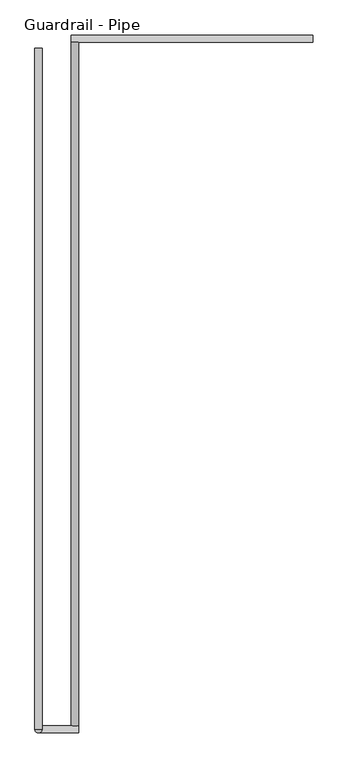
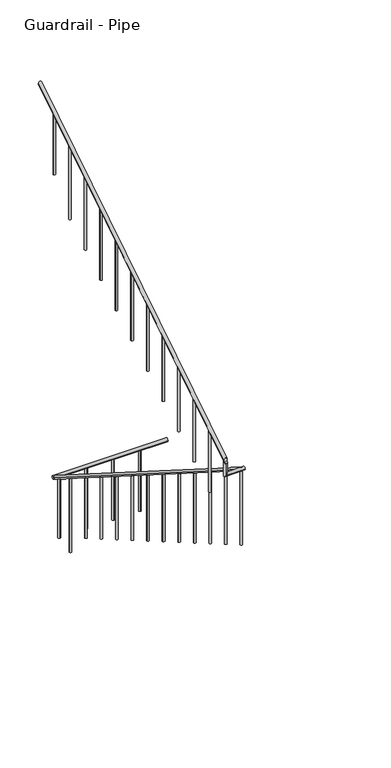
"""IFC4 building model written with IfcOpenShell, lengths in millimetres: railing geometry, Guardrail - Pipe."""

from ifc_helpers import new_model, si_unit, point, frame, frame_2d, origin, place, context, project, spatial, circle_curve, ellipse_curve, trimmed, segment, composite_curve, outline, extrude, source, transform, mapped, element, save
from ifc_brep_helpers import plane_surface, cylinder_surface, advanced_brep


def guardrail_pipe_79b2f338(model_context):
    return source(origin(), model_context, "Body", "SolidModel", [
        advanced_brep(
        [(583045.6754676, -251251.2580223, 896.2158407), (583007.5754676, -251251.2580223, 896.2158407), (583045.6754676, -254896.1580223, 3203.4252683), (583007.5754676, -254896.1580223, 3203.4252683)],
        [
            (0, 1, ellipse_curve(frame((583026.6254676, -251251.2580223, 896.2158407), z_axis=(0.0, 1.0, 0.0), x_axis=(0.0, 0.0, -1.0)), 22.5457755, 19.05)),
            (1, 0, ellipse_curve(frame((583026.6254676, -251251.2580223, 896.2158407), z_axis=(0.0, 1.0, 0.0), x_axis=(0.0, 0.0, -1.0)), 22.5457755, 19.05)),
            (2, 3, ellipse_curve(frame((583026.6254676, -254896.1580223, 3203.4252683), z_axis=(0.0, -1.0, 0.0), x_axis=(0.0, 0.0, -1.0)), 22.5457755, 19.05)),
            (3, 2, ellipse_curve(frame((583026.6254676, -254896.1580223, 3203.4252683), z_axis=(0.0, -1.0, 0.0), x_axis=(0.0, 0.0, -1.0)), 22.5457755, 19.05)),
            (1, 3),
            (2, 0),
        ],
        [
            plane_surface(frame((583026.6254676, -251251.2580223, 918.7616162), z_axis=(0.0, 1.0, 0.0), x_axis=(0.0, 0.0, -1.0))),
            plane_surface(frame((583026.6254676, -254896.1580223, 3225.9710438), z_axis=(0.0, -1.0, 0.0), x_axis=(0.0, 0.0, -1.0))),
            cylinder_surface(frame((583026.6254676, -251261.4468961, 902.6653635), z_axis=(0.0, 0.8449476488296452, -0.5348490167675869), x_axis=(-1.0, 0.0, 0.0)), 19.05),
        ],
        [
            (0, [[1, 2]]),
            (1, [[3, 4]]),
            (2, [[-2, 5, -3, 6]]),
            (2, [[-1, -6, -4, -5]]),
        ],
    ),
        advanced_brep(
        [(583045.6754676, -254934.2580223, 3218.9796296), (583045.6754676, -254896.1580223, 3218.9796296), (582832.105137, -254896.1580223, 3218.9796296), (582832.105137, -254934.2580223, 3218.9796296), (582832.105137, -254934.2580223, 3357.738752), (582832.105137, -254896.1580223, 3381.8559237)],
        [
            (0, 1, circle_curve(frame((583045.6754676, -254915.2080223, 3218.9796296), z_axis=(1.0, 0.0, 0.0), x_axis=(0.0, 1.0, 0.0)), 19.05)),
            (1, 0, circle_curve(frame((583045.6754676, -254915.2080223, 3218.9796296), z_axis=(1.0, 0.0, 0.0), x_axis=(0.0, 1.0, 0.0)), 19.05)),
            (1, 2),
            (2, 3, ellipse_curve(frame((582832.105137, -254915.2080223, 3218.9796296), z_axis=(0.7071067811865475, 0.0, -0.7071067811865475), x_axis=(0.7071067811865476, 0.0, 0.7071067811865474)), 26.9407684, 19.05)),
            (3, 0),
            (3, 2, ellipse_curve(frame((582832.105137, -254915.2080223, 3218.9796296), z_axis=(0.7071067811865475, 0.0, -0.7071067811865475), x_axis=(0.7071067811865476, 0.0, 0.7071067811865474)), 26.9407684, 19.05)),
            (4, 5, ellipse_curve(frame((582832.105137, -254915.2080223, 3369.7973379), z_axis=(0.0, -0.5348490167675869, 0.8449476488296452), x_axis=(0.0, -0.8449476488296452, -0.5348490167675869)), 22.5457755, 19.05)),
            (5, 4, ellipse_curve(frame((582832.105137, -254915.2080223, 3369.7973379), z_axis=(0.0, -0.5348490167675869, 0.8449476488296452), x_axis=(0.0, -0.8449476488296452, -0.5348490167675869)), 22.5457755, 19.05)),
            (2, 5),
            (4, 3),
        ],
        [
            plane_surface(frame((583045.6754676, -254915.2080223, 3238.0296296), z_axis=(1.0, 0.0, 0.0), x_axis=(0.0, -1.0, 0.0))),
            cylinder_surface(frame((583045.6754676, -254915.2080223, 3218.9796296), z_axis=(1.0, 0.0, 0.0), x_axis=(0.0, 1.0, 0.0)), 19.05),
            plane_surface(frame((582851.155137, -254915.2080223, 3369.7973379), z_axis=(0.0, -0.5348490167675869, 0.8449476488296452), x_axis=(1.0, 0.0, 0.0))),
            cylinder_surface(frame((582832.105137, -254915.2080223, 3238.0296296), z_axis=(0.0, 0.0, -1.0), x_axis=(0.0, 1.0, 0.0)), 19.05),
        ],
        [
            (0, [[1, 2]]),
            (1, [[-2, 3, 4, 5]]),
            (1, [[-1, -5, 6, -3]]),
            (2, [[7, 8]]),
            (3, [[-4, 9, -7, 10]]),
            (3, [[-6, -10, -8, -9]]),
        ],
    ),
        advanced_brep(
        [(582813.055137, -254915.2080223, 3392.3431134), (582851.155137, -254915.2080223, 3392.3431134), (582813.055137, -251283.0080223, 5691.5134838), (582851.155137, -251283.0080223, 5691.5134838)],
        [
            (0, 1, ellipse_curve(frame((582832.105137, -254915.2080223, 3392.3431134), z_axis=(0.0, -1.0, 0.0), x_axis=(0.0, 0.0, -1.0)), 22.5457755, 19.05)),
            (1, 0, ellipse_curve(frame((582832.105137, -254915.2080223, 3392.3431134), z_axis=(0.0, -1.0, 0.0), x_axis=(0.0, 0.0, -1.0)), 22.5457755, 19.05)),
            (2, 3, ellipse_curve(frame((582832.105137, -251283.0080223, 5691.5134838), z_axis=(0.0, 1.0, 0.0), x_axis=(0.0, 0.0, -1.0)), 22.5457755, 19.05)),
            (3, 2, ellipse_curve(frame((582832.105137, -251283.0080223, 5691.5134838), z_axis=(0.0, 1.0, 0.0), x_axis=(0.0, 0.0, -1.0)), 22.5457755, 19.05)),
            (1, 3),
            (2, 0),
        ],
        [
            plane_surface(frame((582832.105137, -254915.2080223, 3414.8888889), z_axis=(0.0, -1.0, 0.0), x_axis=(0.0, 0.0, 1.0))),
            plane_surface(frame((582832.105137, -251283.0080223, 5714.0592593), z_axis=(0.0, 1.0, 0.0), x_axis=(0.0, 0.0, 1.0))),
            cylinder_surface(frame((582832.105137, -254905.0191486, 3398.7926362), z_axis=(0.0, -0.8449476488296452, -0.5348490167675869), x_axis=(1.0, 0.0, 0.0)), 19.05),
        ],
        [
            (0, [[1, 2]]),
            (1, [[3, 4]]),
            (2, [[-2, 5, -3, 6]]),
            (2, [[-1, -6, -4, -5]]),
        ],
    ),
        advanced_brep(
        [(584296.6254676, -251251.2580223, 887.6530303), (584296.6254676, -251213.1580223, 887.6530303), (583007.5754676, -251251.2580223, 887.6530303), (583007.5754676, -251213.1580223, 887.6530303)],
        [
            (0, 1, circle_curve(frame((584296.6254676, -251232.2080223, 887.6530303), z_axis=(1.0, 0.0, 0.0), x_axis=(0.0, 1.0, 0.0)), 19.05)),
            (1, 0, circle_curve(frame((584296.6254676, -251232.2080223, 887.6530303), z_axis=(1.0, 0.0, 0.0), x_axis=(0.0, 1.0, 0.0)), 19.05)),
            (2, 3, circle_curve(frame((583007.5754676, -251232.2080223, 887.6530303), z_axis=(-1.0, 0.0, 0.0), x_axis=(0.0, 1.0, 0.0)), 19.05)),
            (3, 2, circle_curve(frame((583007.5754676, -251232.2080223, 887.6530303), z_axis=(-1.0, 0.0, 0.0), x_axis=(0.0, 1.0, 0.0)), 19.05)),
            (1, 3),
            (2, 0),
        ],
        [
            plane_surface(frame((584296.6254676, -251232.2080223, 906.7030303), z_axis=(1.0, 0.0, 0.0), x_axis=(0.0, -1.0, 0.0))),
            plane_surface(frame((583007.5754676, -251232.2080223, 906.7030303), z_axis=(-1.0, 0.0, 0.0), x_axis=(0.0, -1.0, 0.0))),
            cylinder_surface(frame((584296.6254676, -251232.2080223, 887.6530303), z_axis=(1.0, 0.0, 0.0), x_axis=(0.0, 1.0, 0.0)), 19.05),
        ],
        [
            (0, [[1, 2]]),
            (1, [[3, 4]]),
            (2, [[-2, 5, -3, 6]]),
            (2, [[-1, -6, -4, -5]]),
        ],
    ),
        advanced_brep(
        [(582844.805137, -251562.4080223, 5492.108449), (582844.805137, -251562.4080223, 4775.2), (582819.405137, -251562.4080223, 4775.2), (582819.405137, -251562.4080223, 5492.108449)],
        [
            (0, 1),
            (1, 2, circle_curve(frame((582832.105137, -251562.4080223, 4775.2), z_axis=(0.0, 0.0, 1.0), x_axis=(-1.0, 0.0, 0.0)), 12.7)),
            (2, 3),
            (3, 0, ellipse_curve(frame((582832.105137, -251562.4080223, 5492.108449), z_axis=(0.0, 0.534849016767586, -0.8449476488296459), x_axis=(0.0, 0.8449476488296459, 0.5348490167675857)), 15.030517, 12.7)),
            (0, 3, ellipse_curve(frame((582832.105137, -251562.4080223, 5492.108449), z_axis=(0.0, 0.534849016767586, -0.8449476488296459), x_axis=(0.0, 0.8449476488296459, 0.5348490167675857)), 15.030517, 12.7)),
            (2, 1, circle_curve(frame((582832.105137, -251562.4080223, 4775.2), z_axis=(0.0, 0.0, 1.0), x_axis=(-1.0, 0.0, 0.0)), 12.7)),
        ],
        [
            cylinder_surface(frame((582832.105137, -251562.4080223, 4546.6), z_axis=(0.0, 0.0, 1.0), x_axis=(-1.0, 0.0, 0.0)), 12.7),
            plane_surface(frame((582806.705137, -251537.0080223, 5508.1865635), z_axis=(0.0, -0.534849016767586, 0.8449476488296459), x_axis=(1.0, 0.0, 0.0))),
            plane_surface(frame((582806.705137, -251587.8080223, 4775.2), z_axis=(0.0, 0.0, -1.0), x_axis=(1.0, 0.0, 0.0))),
        ],
        [
            (0, [[1, 2, 3, 4]]),
            (0, [[-1, 5, -3, 6]]),
            (1, [[-4, -5]]),
            (2, [[-2, -6]]),
        ],
    ),
        advanced_brep(
        [(582844.805137, -251867.2080223, 5299.1710753), (582844.805137, -251867.2080223, 4421.4814815), (582819.405137, -251867.2080223, 4421.4814815), (582819.405137, -251867.2080223, 5299.1710753)],
        [
            (0, 1),
            (1, 2, circle_curve(frame((582832.105137, -251867.2080223, 4421.4814815), z_axis=(0.0, 0.0, 1.0), x_axis=(-1.0, 0.0, 0.0)), 12.7)),
            (2, 3),
            (3, 0, ellipse_curve(frame((582832.105137, -251867.2080223, 5299.1710753), z_axis=(0.0, 0.5348490167675843, -0.8449476488296469), x_axis=(0.0, 0.8449476488296469, 0.5348490167675843)), 15.030517, 12.7)),
            (0, 3, ellipse_curve(frame((582832.105137, -251867.2080223, 5299.1710753), z_axis=(0.0, 0.5348490167675843, -0.8449476488296469), x_axis=(0.0, 0.8449476488296469, 0.5348490167675843)), 15.030517, 12.7)),
            (2, 1, circle_curve(frame((582832.105137, -251867.2080223, 4421.4814815), z_axis=(0.0, 0.0, 1.0), x_axis=(-1.0, 0.0, 0.0)), 12.7)),
        ],
        [
            cylinder_surface(frame((582832.105137, -251867.2080223, 4192.8814815), z_axis=(0.0, 0.0, 1.0), x_axis=(-1.0, 0.0, 0.0)), 12.7),
            plane_surface(frame((582806.705137, -251841.8080223, 5315.2491897), z_axis=(0.0, -0.5348490167675843, 0.8449476488296469), x_axis=(1.0, 0.0, 0.0))),
            plane_surface(frame((582806.705137, -251892.6080223, 4421.4814815), z_axis=(0.0, 0.0, -1.0), x_axis=(1.0, 0.0, 0.0))),
        ],
        [
            (0, [[1, 2, 3, 4]]),
            (0, [[-1, 5, -3, 6]]),
            (1, [[-4, -5]]),
            (2, [[-2, -6]]),
        ],
    ),
        advanced_brep(
        [(582844.805137, -252172.0080223, 5106.2337015), (582844.805137, -252172.0080223, 4244.6222222), (582819.405137, -252172.0080223, 4244.6222222), (582819.405137, -252172.0080223, 5106.2337015)],
        [
            (0, 1),
            (1, 2, circle_curve(frame((582832.105137, -252172.0080223, 4244.6222222), z_axis=(0.0, 0.0, 1.0), x_axis=(-1.0, 0.0, 0.0)), 12.7)),
            (2, 3),
            (3, 0, ellipse_curve(frame((582832.105137, -252172.0080223, 5106.2337015), z_axis=(0.0, 0.534849016767586, -0.8449476488296459), x_axis=(0.0, 0.8449476488296459, 0.5348490167675857)), 15.030517, 12.7)),
            (0, 3, ellipse_curve(frame((582832.105137, -252172.0080223, 5106.2337015), z_axis=(0.0, 0.534849016767586, -0.8449476488296459), x_axis=(0.0, 0.8449476488296459, 0.5348490167675857)), 15.030517, 12.7)),
            (2, 1, circle_curve(frame((582832.105137, -252172.0080223, 4244.6222222), z_axis=(0.0, 0.0, 1.0), x_axis=(-1.0, 0.0, 0.0)), 12.7)),
        ],
        [
            cylinder_surface(frame((582832.105137, -252172.0080223, 4016.0222222), z_axis=(0.0, 0.0, 1.0), x_axis=(-1.0, 0.0, 0.0)), 12.7),
            plane_surface(frame((582806.705137, -252146.6080223, 5122.311816), z_axis=(0.0, -0.534849016767586, 0.8449476488296459), x_axis=(1.0, 0.0, 0.0))),
            plane_surface(frame((582806.705137, -252197.4080223, 4244.6222222), z_axis=(0.0, 0.0, -1.0), x_axis=(1.0, 0.0, 0.0))),
        ],
        [
            (0, [[1, 2, 3, 4]]),
            (0, [[-1, 5, -3, 6]]),
            (1, [[-4, -5]]),
            (2, [[-2, -6]]),
        ],
    ),
        advanced_brep(
        [(582844.805137, -252476.8080223, 4913.2963278), (582844.805137, -252476.8080223, 4067.762963), (582819.405137, -252476.8080223, 4067.762963), (582819.405137, -252476.8080223, 4913.2963278)],
        [
            (0, 1),
            (1, 2, circle_curve(frame((582832.105137, -252476.8080223, 4067.762963), z_axis=(0.0, 0.0, 1.0), x_axis=(-1.0, 0.0, 0.0)), 12.7)),
            (2, 3),
            (3, 0, ellipse_curve(frame((582832.105137, -252476.8080223, 4913.2963278), z_axis=(0.0, 0.534849016767586, -0.8449476488296459), x_axis=(0.0, 0.8449476488296459, 0.5348490167675857)), 15.030517, 12.7)),
            (0, 3, ellipse_curve(frame((582832.105137, -252476.8080223, 4913.2963278), z_axis=(0.0, 0.534849016767586, -0.8449476488296459), x_axis=(0.0, 0.8449476488296459, 0.5348490167675857)), 15.030517, 12.7)),
            (2, 1, circle_curve(frame((582832.105137, -252476.8080223, 4067.762963), z_axis=(0.0, 0.0, 1.0), x_axis=(-1.0, 0.0, 0.0)), 12.7)),
        ],
        [
            cylinder_surface(frame((582832.105137, -252476.8080223, 3839.162963), z_axis=(0.0, 0.0, 1.0), x_axis=(-1.0, 0.0, 0.0)), 12.7),
            plane_surface(frame((582806.705137, -252451.4080223, 4929.3744423), z_axis=(0.0, -0.534849016767586, 0.8449476488296459), x_axis=(1.0, 0.0, 0.0))),
            plane_surface(frame((582806.705137, -252502.2080223, 4067.762963), z_axis=(0.0, 0.0, -1.0), x_axis=(1.0, 0.0, 0.0))),
        ],
        [
            (0, [[1, 2, 3, 4]]),
            (0, [[-1, 5, -3, 6]]),
            (1, [[-4, -5]]),
            (2, [[-2, -6]]),
        ],
    ),
        advanced_brep(
        [(582844.805137, -252781.6080223, 4720.358954), (582844.805137, -252781.6080223, 3890.9037037), (582819.405137, -252781.6080223, 3890.9037037), (582819.405137, -252781.6080223, 4720.358954)],
        [
            (0, 1),
            (1, 2, circle_curve(frame((582832.105137, -252781.6080223, 3890.9037037), z_axis=(0.0, 0.0, 1.0), x_axis=(-1.0, 0.0, 0.0)), 12.7)),
            (2, 3),
            (3, 0, ellipse_curve(frame((582832.105137, -252781.6080223, 4720.358954), z_axis=(0.0, 0.5348490167675843, -0.8449476488296469), x_axis=(0.0, 0.8449476488296469, 0.5348490167675843)), 15.030517, 12.7)),
            (0, 3, ellipse_curve(frame((582832.105137, -252781.6080223, 4720.358954), z_axis=(0.0, 0.5348490167675843, -0.8449476488296469), x_axis=(0.0, 0.8449476488296469, 0.5348490167675843)), 15.030517, 12.7)),
            (2, 1, circle_curve(frame((582832.105137, -252781.6080223, 3890.9037037), z_axis=(0.0, 0.0, 1.0), x_axis=(-1.0, 0.0, 0.0)), 12.7)),
        ],
        [
            cylinder_surface(frame((582832.105137, -252781.6080223, 3662.3037037), z_axis=(0.0, 0.0, 1.0), x_axis=(-1.0, 0.0, 0.0)), 12.7),
            plane_surface(frame((582806.705137, -252756.2080223, 4736.4370685), z_axis=(0.0, -0.5348490167675843, 0.8449476488296469), x_axis=(1.0, 0.0, 0.0))),
            plane_surface(frame((582806.705137, -252807.0080223, 3890.9037037), z_axis=(0.0, 0.0, -1.0), x_axis=(1.0, 0.0, 0.0))),
        ],
        [
            (0, [[1, 2, 3, 4]]),
            (0, [[-1, 5, -3, 6]]),
            (1, [[-4, -5]]),
            (2, [[-2, -6]]),
        ],
    ),
        advanced_brep(
        [(582844.805137, -253086.4080223, 4527.4215803), (582844.805137, -253086.4080223, 3714.0444444), (582819.405137, -253086.4080223, 3714.0444444), (582819.405137, -253086.4080223, 4527.4215803)],
        [
            (0, 1),
            (1, 2, circle_curve(frame((582832.105137, -253086.4080223, 3714.0444444), z_axis=(0.0, 0.0, 1.0), x_axis=(-1.0, 0.0, 0.0)), 12.7)),
            (2, 3),
            (3, 0, ellipse_curve(frame((582832.105137, -253086.4080223, 4527.4215803), z_axis=(0.0, 0.5348490167675828, -0.844947648829648), x_axis=(0.0, 0.8449476488296481, 0.5348490167675825)), 15.030517, 12.7)),
            (0, 3, ellipse_curve(frame((582832.105137, -253086.4080223, 4527.4215803), z_axis=(0.0, 0.5348490167675828, -0.844947648829648), x_axis=(0.0, 0.8449476488296481, 0.5348490167675825)), 15.030517, 12.7)),
            (2, 1, circle_curve(frame((582832.105137, -253086.4080223, 3714.0444444), z_axis=(0.0, 0.0, 1.0), x_axis=(-1.0, 0.0, 0.0)), 12.7)),
        ],
        [
            cylinder_surface(frame((582832.105137, -253086.4080223, 3485.4444444), z_axis=(0.0, 0.0, 1.0), x_axis=(-1.0, 0.0, 0.0)), 12.7),
            plane_surface(frame((582806.705137, -253061.0080223, 4543.4996948), z_axis=(0.0, -0.5348490167675828, 0.844947648829648), x_axis=(1.0, 0.0, 0.0))),
            plane_surface(frame((582806.705137, -253111.8080223, 3714.0444444), z_axis=(0.0, 0.0, -1.0), x_axis=(1.0, 0.0, 0.0))),
        ],
        [
            (0, [[1, 2, 3, 4]]),
            (0, [[-1, 5, -3, 6]]),
            (1, [[-4, -5]]),
            (2, [[-2, -6]]),
        ],
    ),
        advanced_brep(
        [(582844.805137, -253391.2080223, 4334.4842066), (582844.805137, -253391.2080223, 3537.1851852), (582819.405137, -253391.2080223, 3537.1851852), (582819.405137, -253391.2080223, 4334.4842066)],
        [
            (0, 1),
            (1, 2, circle_curve(frame((582832.105137, -253391.2080223, 3537.1851852), z_axis=(0.0, 0.0, 1.0), x_axis=(-1.0, 0.0, 0.0)), 12.7)),
            (2, 3),
            (3, 0, ellipse_curve(frame((582832.105137, -253391.2080223, 4334.4842066), z_axis=(0.0, 0.5348490167675843, -0.8449476488296469), x_axis=(0.0, 0.8449476488296469, 0.5348490167675843)), 15.030517, 12.7)),
            (0, 3, ellipse_curve(frame((582832.105137, -253391.2080223, 4334.4842066), z_axis=(0.0, 0.5348490167675843, -0.8449476488296469), x_axis=(0.0, 0.8449476488296469, 0.5348490167675843)), 15.030517, 12.7)),
            (2, 1, circle_curve(frame((582832.105137, -253391.2080223, 3537.1851852), z_axis=(0.0, 0.0, 1.0), x_axis=(-1.0, 0.0, 0.0)), 12.7)),
        ],
        [
            cylinder_surface(frame((582832.105137, -253391.2080223, 3308.5851852), z_axis=(0.0, 0.0, 1.0), x_axis=(-1.0, 0.0, 0.0)), 12.7),
            plane_surface(frame((582806.705137, -253365.8080223, 4350.5623211), z_axis=(0.0, -0.5348490167675843, 0.8449476488296469), x_axis=(1.0, 0.0, 0.0))),
            plane_surface(frame((582806.705137, -253416.6080223, 3537.1851852), z_axis=(0.0, 0.0, -1.0), x_axis=(1.0, 0.0, 0.0))),
        ],
        [
            (0, [[1, 2, 3, 4]]),
            (0, [[-1, 5, -3, 6]]),
            (1, [[-4, -5]]),
            (2, [[-2, -6]]),
        ],
    ),
        advanced_brep(
        [(582844.805137, -253696.0080223, 4141.5468328), (582844.805137, -253696.0080223, 3360.3259259), (582819.405137, -253696.0080223, 3360.3259259), (582819.405137, -253696.0080223, 4141.5468328)],
        [
            (0, 1),
            (1, 2, circle_curve(frame((582832.105137, -253696.0080223, 3360.3259259), z_axis=(0.0, 0.0, 1.0), x_axis=(-1.0, 0.0, 0.0)), 12.7)),
            (2, 3),
            (3, 0, ellipse_curve(frame((582832.105137, -253696.0080223, 4141.5468328), z_axis=(0.0, 0.5348490167675843, -0.8449476488296469), x_axis=(0.0, 0.8449476488296469, 0.5348490167675843)), 15.030517, 12.7)),
            (0, 3, ellipse_curve(frame((582832.105137, -253696.0080223, 4141.5468328), z_axis=(0.0, 0.5348490167675843, -0.8449476488296469), x_axis=(0.0, 0.8449476488296469, 0.5348490167675843)), 15.030517, 12.7)),
            (2, 1, circle_curve(frame((582832.105137, -253696.0080223, 3360.3259259), z_axis=(0.0, 0.0, 1.0), x_axis=(-1.0, 0.0, 0.0)), 12.7)),
        ],
        [
            cylinder_surface(frame((582832.105137, -253696.0080223, 3131.7259259), z_axis=(0.0, 0.0, 1.0), x_axis=(-1.0, 0.0, 0.0)), 12.7),
            plane_surface(frame((582806.705137, -253670.6080223, 4157.6249473), z_axis=(0.0, -0.5348490167675843, 0.8449476488296469), x_axis=(1.0, 0.0, 0.0))),
            plane_surface(frame((582806.705137, -253721.4080223, 3360.3259259), z_axis=(0.0, 0.0, -1.0), x_axis=(1.0, 0.0, 0.0))),
        ],
        [
            (0, [[1, 2, 3, 4]]),
            (0, [[-1, 5, -3, 6]]),
            (1, [[-4, -5]]),
            (2, [[-2, -6]]),
        ],
    ),
        advanced_brep(
        [(582844.805137, -254000.8080223, 3948.6094591), (582844.805137, -254000.8080223, 3183.4666667), (582819.405137, -254000.8080223, 3183.4666667), (582819.405137, -254000.8080223, 3948.6094591)],
        [
            (0, 1),
            (1, 2, circle_curve(frame((582832.105137, -254000.8080223, 3183.4666667), z_axis=(0.0, 0.0, 1.0), x_axis=(-1.0, 0.0, 0.0)), 12.7)),
            (2, 3),
            (3, 0, ellipse_curve(frame((582832.105137, -254000.8080223, 3948.6094591), z_axis=(0.0, 0.5348490167675843, -0.8449476488296469), x_axis=(0.0, 0.8449476488296469, 0.5348490167675843)), 15.030517, 12.7)),
            (0, 3, ellipse_curve(frame((582832.105137, -254000.8080223, 3948.6094591), z_axis=(0.0, 0.5348490167675843, -0.8449476488296469), x_axis=(0.0, 0.8449476488296469, 0.5348490167675843)), 15.030517, 12.7)),
            (2, 1, circle_curve(frame((582832.105137, -254000.8080223, 3183.4666667), z_axis=(0.0, 0.0, 1.0), x_axis=(-1.0, 0.0, 0.0)), 12.7)),
        ],
        [
            cylinder_surface(frame((582832.105137, -254000.8080223, 2954.8666667), z_axis=(0.0, 0.0, 1.0), x_axis=(-1.0, 0.0, 0.0)), 12.7),
            plane_surface(frame((582806.705137, -253975.4080223, 3964.6875736), z_axis=(0.0, -0.5348490167675843, 0.8449476488296469), x_axis=(1.0, 0.0, 0.0))),
            plane_surface(frame((582806.705137, -254026.2080223, 3183.4666667), z_axis=(0.0, 0.0, -1.0), x_axis=(1.0, 0.0, 0.0))),
        ],
        [
            (0, [[1, 2, 3, 4]]),
            (0, [[-1, 5, -3, 6]]),
            (1, [[-4, -5]]),
            (2, [[-2, -6]]),
        ],
    ),
        advanced_brep(
        [(582844.805137, -254305.6080223, 3755.6720854), (582844.805137, -254305.6080223, 3006.6074074), (582819.405137, -254305.6080223, 3006.6074074), (582819.405137, -254305.6080223, 3755.6720854)],
        [
            (0, 1),
            (1, 2, circle_curve(frame((582832.105137, -254305.6080223, 3006.6074074), z_axis=(0.0, 0.0, 1.0), x_axis=(-1.0, 0.0, 0.0)), 12.7)),
            (2, 3),
            (3, 0, ellipse_curve(frame((582832.105137, -254305.6080223, 3755.6720854), z_axis=(0.0, 0.534849016767586, -0.8449476488296459), x_axis=(0.0, 0.8449476488296459, 0.5348490167675857)), 15.030517, 12.7)),
            (0, 3, ellipse_curve(frame((582832.105137, -254305.6080223, 3755.6720854), z_axis=(0.0, 0.534849016767586, -0.8449476488296459), x_axis=(0.0, 0.8449476488296459, 0.5348490167675857)), 15.030517, 12.7)),
            (2, 1, circle_curve(frame((582832.105137, -254305.6080223, 3006.6074074), z_axis=(0.0, 0.0, 1.0), x_axis=(-1.0, 0.0, 0.0)), 12.7)),
        ],
        [
            cylinder_surface(frame((582832.105137, -254305.6080223, 2778.0074074), z_axis=(0.0, 0.0, 1.0), x_axis=(-1.0, 0.0, 0.0)), 12.7),
            plane_surface(frame((582806.705137, -254280.2080223, 3771.7501998), z_axis=(0.0, -0.534849016767586, 0.8449476488296459), x_axis=(1.0, 0.0, 0.0))),
            plane_surface(frame((582806.705137, -254331.0080223, 3006.6074074), z_axis=(0.0, 0.0, -1.0), x_axis=(1.0, 0.0, 0.0))),
        ],
        [
            (0, [[1, 2, 3, 4]]),
            (0, [[-1, 5, -3, 6]]),
            (1, [[-4, -5]]),
            (2, [[-2, -6]]),
        ],
    ),
        advanced_brep(
        [(582844.805137, -254610.4080223, 3562.7347116), (582844.805137, -254610.4080223, 2829.7481481), (582819.405137, -254610.4080223, 2829.7481481), (582819.405137, -254610.4080223, 3562.7347116)],
        [
            (0, 1),
            (1, 2, circle_curve(frame((582832.105137, -254610.4080223, 2829.7481481), z_axis=(0.0, 0.0, 1.0), x_axis=(-1.0, 0.0, 0.0)), 12.7)),
            (2, 3),
            (3, 0, ellipse_curve(frame((582832.105137, -254610.4080223, 3562.7347116), z_axis=(0.0, 0.5348490167675828, -0.844947648829648), x_axis=(0.0, 0.8449476488296481, 0.5348490167675825)), 15.030517, 12.7)),
            (0, 3, ellipse_curve(frame((582832.105137, -254610.4080223, 3562.7347116), z_axis=(0.0, 0.5348490167675828, -0.844947648829648), x_axis=(0.0, 0.8449476488296481, 0.5348490167675825)), 15.030517, 12.7)),
            (2, 1, circle_curve(frame((582832.105137, -254610.4080223, 2829.7481481), z_axis=(0.0, 0.0, 1.0), x_axis=(-1.0, 0.0, 0.0)), 12.7)),
        ],
        [
            cylinder_surface(frame((582832.105137, -254610.4080223, 2601.1481481), z_axis=(0.0, 0.0, 1.0), x_axis=(-1.0, 0.0, 0.0)), 12.7),
            plane_surface(frame((582806.705137, -254585.0080223, 3578.8128261), z_axis=(0.0, -0.5348490167675828, 0.844947648829648), x_axis=(1.0, 0.0, 0.0))),
            plane_surface(frame((582806.705137, -254635.8080223, 2829.7481481), z_axis=(0.0, 0.0, -1.0), x_axis=(1.0, 0.0, 0.0))),
        ],
        [
            (0, [[1, 2, 3, 4]]),
            (0, [[-1, 5, -3, 6]]),
            (1, [[-4, -5]]),
            (2, [[-2, -6]]),
        ],
    ),
        advanced_brep(
        [(583013.9254676, -254889.8080223, 3176.8599642), (583013.9254676, -254889.8080223, 2299.1703704), (583039.3254676, -254889.8080223, 2299.1703704), (583039.3254676, -254889.8080223, 3176.8599642)],
        [
            (0, 1),
            (1, 2, circle_curve(frame((583026.6254676, -254889.8080223, 2299.1703704), z_axis=(0.0, 0.0, 1.0), x_axis=(1.0, 0.0, 0.0)), 12.7)),
            (2, 3),
            (3, 0, ellipse_curve(frame((583026.6254676, -254889.8080223, 3176.8599642), z_axis=(0.0, -0.5348490167675843, -0.8449476488296469), x_axis=(0.0, -0.8449476488296469, 0.5348490167675843)), 15.030517, 12.7)),
            (0, 3, ellipse_curve(frame((583026.6254676, -254889.8080223, 3176.8599642), z_axis=(0.0, -0.5348490167675843, -0.8449476488296469), x_axis=(0.0, -0.8449476488296469, 0.5348490167675843)), 15.030517, 12.7)),
            (2, 1, circle_curve(frame((583026.6254676, -254889.8080223, 2299.1703704), z_axis=(0.0, 0.0, 1.0), x_axis=(1.0, 0.0, 0.0)), 12.7)),
        ],
        [
            cylinder_surface(frame((583026.6254676, -254889.8080223, 2070.5703704), z_axis=(0.0, 0.0, 1.0), x_axis=(1.0, 0.0, 0.0)), 12.7),
            plane_surface(frame((583052.0254676, -254915.2080223, 3192.9380786), z_axis=(0.0, 0.5348490167675843, 0.8449476488296469), x_axis=(-1.0, 0.0, 0.0))),
            plane_surface(frame((583052.0254676, -254864.4080223, 2299.1703704), z_axis=(0.0, 0.0, -1.0), x_axis=(-1.0, 0.0, 0.0))),
        ],
        [
            (0, [[1, 2, 3, 4]]),
            (0, [[-1, 5, -3, 6]]),
            (1, [[-4, -5]]),
            (2, [[-2, -6]]),
        ],
    ),
        advanced_brep(
        [(583013.9254676, -254585.0080223, 2983.9225904), (583013.9254676, -254585.0080223, 2122.3111111), (583039.3254676, -254585.0080223, 2122.3111111), (583039.3254676, -254585.0080223, 2983.9225904)],
        [
            (0, 1),
            (1, 2, circle_curve(frame((583026.6254676, -254585.0080223, 2122.3111111), z_axis=(0.0, 0.0, 1.0), x_axis=(1.0, 0.0, 0.0)), 12.7)),
            (2, 3),
            (3, 0, ellipse_curve(frame((583026.6254676, -254585.0080223, 2983.9225904), z_axis=(0.0, -0.534849016767586, -0.8449476488296459), x_axis=(0.0, -0.8449476488296459, 0.5348490167675857)), 15.030517, 12.7)),
            (0, 3, ellipse_curve(frame((583026.6254676, -254585.0080223, 2983.9225904), z_axis=(0.0, -0.534849016767586, -0.8449476488296459), x_axis=(0.0, -0.8449476488296459, 0.5348490167675857)), 15.030517, 12.7)),
            (2, 1, circle_curve(frame((583026.6254676, -254585.0080223, 2122.3111111), z_axis=(0.0, 0.0, 1.0), x_axis=(1.0, 0.0, 0.0)), 12.7)),
        ],
        [
            cylinder_surface(frame((583026.6254676, -254585.0080223, 1893.7111111), z_axis=(0.0, 0.0, 1.0), x_axis=(1.0, 0.0, 0.0)), 12.7),
            plane_surface(frame((583052.0254676, -254610.4080223, 3000.0007049), z_axis=(0.0, 0.534849016767586, 0.8449476488296459), x_axis=(-1.0, 0.0, 0.0))),
            plane_surface(frame((583052.0254676, -254559.6080223, 2122.3111111), z_axis=(0.0, 0.0, -1.0), x_axis=(-1.0, 0.0, 0.0))),
        ],
        [
            (0, [[1, 2, 3, 4]]),
            (0, [[-1, 5, -3, 6]]),
            (1, [[-4, -5]]),
            (2, [[-2, -6]]),
        ],
    ),
        advanced_brep(
        [(583013.9254676, -254280.2080223, 2790.9852167), (583013.9254676, -254280.2080223, 1945.4518519), (583039.3254676, -254280.2080223, 1945.4518519), (583039.3254676, -254280.2080223, 2790.9852167)],
        [
            (0, 1),
            (1, 2, circle_curve(frame((583026.6254676, -254280.2080223, 1945.4518519), z_axis=(0.0, 0.0, 1.0), x_axis=(1.0, 0.0, 0.0)), 12.7)),
            (2, 3),
            (3, 0, ellipse_curve(frame((583026.6254676, -254280.2080223, 2790.9852167), z_axis=(0.0, -0.534849016767586, -0.8449476488296459), x_axis=(0.0, -0.8449476488296459, 0.5348490167675857)), 15.030517, 12.7)),
            (0, 3, ellipse_curve(frame((583026.6254676, -254280.2080223, 2790.9852167), z_axis=(0.0, -0.534849016767586, -0.8449476488296459), x_axis=(0.0, -0.8449476488296459, 0.5348490167675857)), 15.030517, 12.7)),
            (2, 1, circle_curve(frame((583026.6254676, -254280.2080223, 1945.4518519), z_axis=(0.0, 0.0, 1.0), x_axis=(1.0, 0.0, 0.0)), 12.7)),
        ],
        [
            cylinder_surface(frame((583026.6254676, -254280.2080223, 1716.8518519), z_axis=(0.0, 0.0, 1.0), x_axis=(1.0, 0.0, 0.0)), 12.7),
            plane_surface(frame((583052.0254676, -254305.6080223, 2807.0633312), z_axis=(0.0, 0.534849016767586, 0.8449476488296459), x_axis=(-1.0, 0.0, 0.0))),
            plane_surface(frame((583052.0254676, -254254.8080223, 1945.4518519), z_axis=(0.0, 0.0, -1.0), x_axis=(-1.0, 0.0, 0.0))),
        ],
        [
            (0, [[1, 2, 3, 4]]),
            (0, [[-1, 5, -3, 6]]),
            (1, [[-4, -5]]),
            (2, [[-2, -6]]),
        ],
    ),
        advanced_brep(
        [(583013.9254676, -253975.4080223, 2598.0478429), (583013.9254676, -253975.4080223, 1768.5925926), (583039.3254676, -253975.4080223, 1768.5925926), (583039.3254676, -253975.4080223, 2598.0478429)],
        [
            (0, 1),
            (1, 2, circle_curve(frame((583026.6254676, -253975.4080223, 1768.5925926), z_axis=(0.0, 0.0, 1.0), x_axis=(1.0, 0.0, 0.0)), 12.7)),
            (2, 3),
            (3, 0, ellipse_curve(frame((583026.6254676, -253975.4080223, 2598.0478429), z_axis=(0.0, -0.5348490167675843, -0.8449476488296469), x_axis=(0.0, -0.8449476488296469, 0.5348490167675843)), 15.030517, 12.7)),
            (0, 3, ellipse_curve(frame((583026.6254676, -253975.4080223, 2598.0478429), z_axis=(0.0, -0.5348490167675843, -0.8449476488296469), x_axis=(0.0, -0.8449476488296469, 0.5348490167675843)), 15.030517, 12.7)),
            (2, 1, circle_curve(frame((583026.6254676, -253975.4080223, 1768.5925926), z_axis=(0.0, 0.0, 1.0), x_axis=(1.0, 0.0, 0.0)), 12.7)),
        ],
        [
            cylinder_surface(frame((583026.6254676, -253975.4080223, 1539.9925926), z_axis=(0.0, 0.0, 1.0), x_axis=(1.0, 0.0, 0.0)), 12.7),
            plane_surface(frame((583052.0254676, -254000.8080223, 2614.1259574), z_axis=(0.0, 0.5348490167675843, 0.8449476488296469), x_axis=(-1.0, 0.0, 0.0))),
            plane_surface(frame((583052.0254676, -253950.0080223, 1768.5925926), z_axis=(0.0, 0.0, -1.0), x_axis=(-1.0, 0.0, 0.0))),
        ],
        [
            (0, [[1, 2, 3, 4]]),
            (0, [[-1, 5, -3, 6]]),
            (1, [[-4, -5]]),
            (2, [[-2, -6]]),
        ],
    ),
        advanced_brep(
        [(583013.9254676, -253670.6080223, 2405.1104692), (583013.9254676, -253670.6080223, 1591.7333333), (583039.3254676, -253670.6080223, 1591.7333333), (583039.3254676, -253670.6080223, 2405.1104692)],
        [
            (0, 1),
            (1, 2, circle_curve(frame((583026.6254676, -253670.6080223, 1591.7333333), z_axis=(0.0, 0.0, 1.0), x_axis=(1.0, 0.0, 0.0)), 12.7)),
            (2, 3),
            (3, 0, ellipse_curve(frame((583026.6254676, -253670.6080223, 2405.1104692), z_axis=(0.0, -0.5348490167675828, -0.844947648829648), x_axis=(0.0, -0.8449476488296481, 0.5348490167675825)), 15.030517, 12.7)),
            (0, 3, ellipse_curve(frame((583026.6254676, -253670.6080223, 2405.1104692), z_axis=(0.0, -0.5348490167675828, -0.844947648829648), x_axis=(0.0, -0.8449476488296481, 0.5348490167675825)), 15.030517, 12.7)),
            (2, 1, circle_curve(frame((583026.6254676, -253670.6080223, 1591.7333333), z_axis=(0.0, 0.0, 1.0), x_axis=(1.0, 0.0, 0.0)), 12.7)),
        ],
        [
            cylinder_surface(frame((583026.6254676, -253670.6080223, 1363.1333333), z_axis=(0.0, 0.0, 1.0), x_axis=(1.0, 0.0, 0.0)), 12.7),
            plane_surface(frame((583052.0254676, -253696.0080223, 2421.1885837), z_axis=(0.0, 0.5348490167675828, 0.844947648829648), x_axis=(-1.0, 0.0, 0.0))),
            plane_surface(frame((583052.0254676, -253645.2080223, 1591.7333333), z_axis=(0.0, 0.0, -1.0), x_axis=(-1.0, 0.0, 0.0))),
        ],
        [
            (0, [[1, 2, 3, 4]]),
            (0, [[-1, 5, -3, 6]]),
            (1, [[-4, -5]]),
            (2, [[-2, -6]]),
        ],
    ),
        advanced_brep(
        [(583013.9254676, -253365.8080223, 2212.1730955), (583013.9254676, -253365.8080223, 1414.8740741), (583039.3254676, -253365.8080223, 1414.8740741), (583039.3254676, -253365.8080223, 2212.1730955)],
        [
            (0, 1),
            (1, 2, circle_curve(frame((583026.6254676, -253365.8080223, 1414.8740741), z_axis=(0.0, 0.0, 1.0), x_axis=(1.0, 0.0, 0.0)), 12.7)),
            (2, 3),
            (3, 0, ellipse_curve(frame((583026.6254676, -253365.8080223, 2212.1730955), z_axis=(0.0, -0.5348490167675843, -0.8449476488296469), x_axis=(0.0, -0.8449476488296469, 0.5348490167675843)), 15.030517, 12.7)),
            (0, 3, ellipse_curve(frame((583026.6254676, -253365.8080223, 2212.1730955), z_axis=(0.0, -0.5348490167675843, -0.8449476488296469), x_axis=(0.0, -0.8449476488296469, 0.5348490167675843)), 15.030517, 12.7)),
            (2, 1, circle_curve(frame((583026.6254676, -253365.8080223, 1414.8740741), z_axis=(0.0, 0.0, 1.0), x_axis=(1.0, 0.0, 0.0)), 12.7)),
        ],
        [
            cylinder_surface(frame((583026.6254676, -253365.8080223, 1186.2740741), z_axis=(0.0, 0.0, 1.0), x_axis=(1.0, 0.0, 0.0)), 12.7),
            plane_surface(frame((583052.0254676, -253391.2080223, 2228.2512099), z_axis=(0.0, 0.5348490167675843, 0.8449476488296469), x_axis=(-1.0, 0.0, 0.0))),
            plane_surface(frame((583052.0254676, -253340.4080223, 1414.8740741), z_axis=(0.0, 0.0, -1.0), x_axis=(-1.0, 0.0, 0.0))),
        ],
        [
            (0, [[1, 2, 3, 4]]),
            (0, [[-1, 5, -3, 6]]),
            (1, [[-4, -5]]),
            (2, [[-2, -6]]),
        ],
    ),
        advanced_brep(
        [(583013.9254676, -253061.0080223, 2019.2357217), (583013.9254676, -253061.0080223, 1238.0148148), (583039.3254676, -253061.0080223, 1238.0148148), (583039.3254676, -253061.0080223, 2019.2357217)],
        [
            (0, 1),
            (1, 2, circle_curve(frame((583026.6254676, -253061.0080223, 1238.0148148), z_axis=(0.0, 0.0, 1.0), x_axis=(1.0, 0.0, 0.0)), 12.7)),
            (2, 3),
            (3, 0, ellipse_curve(frame((583026.6254676, -253061.0080223, 2019.2357217), z_axis=(0.0, -0.5348490167675843, -0.8449476488296469), x_axis=(0.0, -0.8449476488296469, 0.5348490167675843)), 15.030517, 12.7)),
            (0, 3, ellipse_curve(frame((583026.6254676, -253061.0080223, 2019.2357217), z_axis=(0.0, -0.5348490167675843, -0.8449476488296469), x_axis=(0.0, -0.8449476488296469, 0.5348490167675843)), 15.030517, 12.7)),
            (2, 1, circle_curve(frame((583026.6254676, -253061.0080223, 1238.0148148), z_axis=(0.0, 0.0, 1.0), x_axis=(1.0, 0.0, 0.0)), 12.7)),
        ],
        [
            cylinder_surface(frame((583026.6254676, -253061.0080223, 1009.4148148), z_axis=(0.0, 0.0, 1.0), x_axis=(1.0, 0.0, 0.0)), 12.7),
            plane_surface(frame((583052.0254676, -253086.4080223, 2035.3138362), z_axis=(0.0, 0.5348490167675843, 0.8449476488296469), x_axis=(-1.0, 0.0, 0.0))),
            plane_surface(frame((583052.0254676, -253035.6080223, 1238.0148148), z_axis=(0.0, 0.0, -1.0), x_axis=(-1.0, 0.0, 0.0))),
        ],
        [
            (0, [[1, 2, 3, 4]]),
            (0, [[-1, 5, -3, 6]]),
            (1, [[-4, -5]]),
            (2, [[-2, -6]]),
        ],
    ),
        advanced_brep(
        [(583013.9254676, -252756.2080223, 1826.298348), (583013.9254676, -252756.2080223, 1061.1555556), (583039.3254676, -252756.2080223, 1061.1555556), (583039.3254676, -252756.2080223, 1826.298348)],
        [
            (0, 1),
            (1, 2, circle_curve(frame((583026.6254676, -252756.2080223, 1061.1555556), z_axis=(0.0, 0.0, 1.0), x_axis=(1.0, 0.0, 0.0)), 12.7)),
            (2, 3),
            (3, 0, ellipse_curve(frame((583026.6254676, -252756.2080223, 1826.298348), z_axis=(0.0, -0.5348490167675843, -0.8449476488296469), x_axis=(0.0, -0.8449476488296469, 0.5348490167675843)), 15.030517, 12.7)),
            (0, 3, ellipse_curve(frame((583026.6254676, -252756.2080223, 1826.298348), z_axis=(0.0, -0.5348490167675843, -0.8449476488296469), x_axis=(0.0, -0.8449476488296469, 0.5348490167675843)), 15.030517, 12.7)),
            (2, 1, circle_curve(frame((583026.6254676, -252756.2080223, 1061.1555556), z_axis=(0.0, 0.0, 1.0), x_axis=(1.0, 0.0, 0.0)), 12.7)),
        ],
        [
            cylinder_surface(frame((583026.6254676, -252756.2080223, 832.5555556), z_axis=(0.0, 0.0, 1.0), x_axis=(1.0, 0.0, 0.0)), 12.7),
            plane_surface(frame((583052.0254676, -252781.6080223, 1842.3764625), z_axis=(0.0, 0.5348490167675843, 0.8449476488296469), x_axis=(-1.0, 0.0, 0.0))),
            plane_surface(frame((583052.0254676, -252730.8080223, 1061.1555556), z_axis=(0.0, 0.0, -1.0), x_axis=(-1.0, 0.0, 0.0))),
        ],
        [
            (0, [[1, 2, 3, 4]]),
            (0, [[-1, 5, -3, 6]]),
            (1, [[-4, -5]]),
            (2, [[-2, -6]]),
        ],
    ),
        advanced_brep(
        [(583013.9254676, -252451.4080223, 1633.3609743), (583013.9254676, -252451.4080223, 884.2962963), (583039.3254676, -252451.4080223, 884.2962963), (583039.3254676, -252451.4080223, 1633.3609743)],
        [
            (0, 1),
            (1, 2, circle_curve(frame((583026.6254676, -252451.4080223, 884.2962963), z_axis=(0.0, 0.0, 1.0), x_axis=(1.0, 0.0, 0.0)), 12.7)),
            (2, 3),
            (3, 0, ellipse_curve(frame((583026.6254676, -252451.4080223, 1633.3609743), z_axis=(0.0, -0.534849016767586, -0.8449476488296459), x_axis=(0.0, -0.8449476488296459, 0.5348490167675857)), 15.030517, 12.7)),
            (0, 3, ellipse_curve(frame((583026.6254676, -252451.4080223, 1633.3609743), z_axis=(0.0, -0.534849016767586, -0.8449476488296459), x_axis=(0.0, -0.8449476488296459, 0.5348490167675857)), 15.030517, 12.7)),
            (2, 1, circle_curve(frame((583026.6254676, -252451.4080223, 884.2962963), z_axis=(0.0, 0.0, 1.0), x_axis=(1.0, 0.0, 0.0)), 12.7)),
        ],
        [
            cylinder_surface(frame((583026.6254676, -252451.4080223, 655.6962963), z_axis=(0.0, 0.0, 1.0), x_axis=(1.0, 0.0, 0.0)), 12.7),
            plane_surface(frame((583052.0254676, -252476.8080223, 1649.4390887), z_axis=(0.0, 0.534849016767586, 0.8449476488296459), x_axis=(-1.0, 0.0, 0.0))),
            plane_surface(frame((583052.0254676, -252426.0080223, 884.2962963), z_axis=(0.0, 0.0, -1.0), x_axis=(-1.0, 0.0, 0.0))),
        ],
        [
            (0, [[1, 2, 3, 4]]),
            (0, [[-1, 5, -3, 6]]),
            (1, [[-4, -5]]),
            (2, [[-2, -6]]),
        ],
    ),
        advanced_brep(
        [(583013.9254676, -252146.6080223, 1440.4236005), (583013.9254676, -252146.6080223, 707.437037), (583039.3254676, -252146.6080223, 707.437037), (583039.3254676, -252146.6080223, 1440.4236005)],
        [
            (0, 1),
            (1, 2, circle_curve(frame((583026.6254676, -252146.6080223, 707.437037), z_axis=(0.0, 0.0, 1.0), x_axis=(1.0, 0.0, 0.0)), 12.7)),
            (2, 3),
            (3, 0, ellipse_curve(frame((583026.6254676, -252146.6080223, 1440.4236005), z_axis=(0.0, -0.5348490167675828, -0.844947648829648), x_axis=(0.0, -0.8449476488296481, 0.5348490167675825)), 15.030517, 12.7)),
            (0, 3, ellipse_curve(frame((583026.6254676, -252146.6080223, 1440.4236005), z_axis=(0.0, -0.5348490167675828, -0.844947648829648), x_axis=(0.0, -0.8449476488296481, 0.5348490167675825)), 15.030517, 12.7)),
            (2, 1, circle_curve(frame((583026.6254676, -252146.6080223, 707.437037), z_axis=(0.0, 0.0, 1.0), x_axis=(1.0, 0.0, 0.0)), 12.7)),
        ],
        [
            cylinder_surface(frame((583026.6254676, -252146.6080223, 478.837037), z_axis=(0.0, 0.0, 1.0), x_axis=(1.0, 0.0, 0.0)), 12.7),
            plane_surface(frame((583052.0254676, -252172.0080223, 1456.501715), z_axis=(0.0, 0.5348490167675828, 0.844947648829648), x_axis=(-1.0, 0.0, 0.0))),
            plane_surface(frame((583052.0254676, -252121.2080223, 707.437037), z_axis=(0.0, 0.0, -1.0), x_axis=(-1.0, 0.0, 0.0))),
        ],
        [
            (0, [[1, 2, 3, 4]]),
            (0, [[-1, 5, -3, 6]]),
            (1, [[-4, -5]]),
            (2, [[-2, -6]]),
        ],
    ),
        advanced_brep(
        [(583013.9254676, -251841.8080223, 1247.4862268), (583013.9254676, -251841.8080223, 530.5777778), (583039.3254676, -251841.8080223, 530.5777778), (583039.3254676, -251841.8080223, 1247.4862268)],
        [
            (0, 1),
            (1, 2, circle_curve(frame((583026.6254676, -251841.8080223, 530.5777778), z_axis=(0.0, 0.0, 1.0), x_axis=(1.0, 0.0, 0.0)), 12.7)),
            (2, 3),
            (3, 0, ellipse_curve(frame((583026.6254676, -251841.8080223, 1247.4862268), z_axis=(0.0, -0.534849016767586, -0.8449476488296459), x_axis=(0.0, -0.8449476488296459, 0.5348490167675857)), 15.030517, 12.7)),
            (0, 3, ellipse_curve(frame((583026.6254676, -251841.8080223, 1247.4862268), z_axis=(0.0, -0.534849016767586, -0.8449476488296459), x_axis=(0.0, -0.8449476488296459, 0.5348490167675857)), 15.030517, 12.7)),
            (2, 1, circle_curve(frame((583026.6254676, -251841.8080223, 530.5777778), z_axis=(0.0, 0.0, 1.0), x_axis=(1.0, 0.0, 0.0)), 12.7)),
        ],
        [
            cylinder_surface(frame((583026.6254676, -251841.8080223, 301.9777778), z_axis=(0.0, 0.0, 1.0), x_axis=(1.0, 0.0, 0.0)), 12.7),
            plane_surface(frame((583052.0254676, -251867.2080223, 1263.5643413), z_axis=(0.0, 0.534849016767586, 0.8449476488296459), x_axis=(-1.0, 0.0, 0.0))),
            plane_surface(frame((583052.0254676, -251816.4080223, 530.5777778), z_axis=(0.0, 0.0, -1.0), x_axis=(-1.0, 0.0, 0.0))),
        ],
        [
            (0, [[1, 2, 3, 4]]),
            (0, [[-1, 5, -3, 6]]),
            (1, [[-4, -5]]),
            (2, [[-2, -6]]),
        ],
    ),
        advanced_brep(
        [(583013.9254676, -251537.0080223, 1054.548853), (583013.9254676, -251537.0080223, 176.8592593), (583039.3254676, -251537.0080223, 176.8592593), (583039.3254676, -251537.0080223, 1054.548853)],
        [
            (0, 1),
            (1, 2, circle_curve(frame((583026.6254676, -251537.0080223, 176.8592593), z_axis=(0.0, 0.0, 1.0), x_axis=(1.0, 0.0, 0.0)), 12.7)),
            (2, 3),
            (3, 0, ellipse_curve(frame((583026.6254676, -251537.0080223, 1054.548853), z_axis=(0.0, -0.5348490167675843, -0.8449476488296469), x_axis=(0.0, -0.8449476488296469, 0.5348490167675843)), 15.030517, 12.7)),
            (0, 3, ellipse_curve(frame((583026.6254676, -251537.0080223, 1054.548853), z_axis=(0.0, -0.5348490167675843, -0.8449476488296469), x_axis=(0.0, -0.8449476488296469, 0.5348490167675843)), 15.030517, 12.7)),
            (2, 1, circle_curve(frame((583026.6254676, -251537.0080223, 176.8592593), z_axis=(0.0, 0.0, 1.0), x_axis=(1.0, 0.0, 0.0)), 12.7)),
        ],
        [
            cylinder_surface(frame((583026.6254676, -251537.0080223, -51.7407407), z_axis=(0.0, 0.0, 1.0), x_axis=(1.0, 0.0, 0.0)), 12.7),
            plane_surface(frame((583052.0254676, -251562.4080223, 1070.6269675), z_axis=(0.0, 0.5348490167675843, 0.8449476488296469), x_axis=(-1.0, 0.0, 0.0))),
            plane_surface(frame((583052.0254676, -251511.6080223, 176.8592593), z_axis=(0.0, 0.0, -1.0), x_axis=(-1.0, 0.0, 0.0))),
        ],
        [
            (0, [[1, 2, 3, 4]]),
            (0, [[-1, 5, -3, 6]]),
            (1, [[-4, -5]]),
            (2, [[-2, -6]]),
        ],
    ),
        extrude(outline(composite_curve([segment(trimmed(circle_curve(frame_2d((583077.4254676, -251232.2080223)), 12.7), [point((583077.4254676, -251244.9080223))], [point((583077.4254676, -251219.5080223))], False, "CARTESIAN"), True, "CONTINUOUS"), segment(trimmed(circle_curve(frame_2d((583077.4254676, -251232.2080223)), 12.7), [point((583077.4254676, -251219.5080223))], [point((583077.4254676, -251244.9080223))], False, "CARTESIAN"), True, "CONTINUOUS")], self_intersect=False)), frame((0.0, 0.0, 144.7030303), z_axis=(0.0, 0.0, 1.0), x_axis=(1.0, 0.0, 0.0)), (0.0, 0.0, 1.0), 723.9),
        extrude(outline(composite_curve([segment(trimmed(circle_curve(frame_2d((583382.2254676, -251232.2080223)), 12.7), [point((583382.2254676, -251244.9080223))], [point((583382.2254676, -251219.5080223))], False, "CARTESIAN"), True, "CONTINUOUS"), segment(trimmed(circle_curve(frame_2d((583382.2254676, -251232.2080223)), 12.7), [point((583382.2254676, -251219.5080223))], [point((583382.2254676, -251244.9080223))], False, "CARTESIAN"), True, "CONTINUOUS")], self_intersect=False)), frame((0.0, 0.0, 144.7030303), z_axis=(0.0, 0.0, 1.0), x_axis=(1.0, 0.0, 0.0)), (0.0, 0.0, 1.0), 723.9),
        extrude(outline(composite_curve([segment(trimmed(circle_curve(frame_2d((583687.0254676, -251232.2080223)), 12.7), [point((583687.0254676, -251244.9080223))], [point((583687.0254676, -251219.5080223))], False, "CARTESIAN"), True, "CONTINUOUS"), segment(trimmed(circle_curve(frame_2d((583687.0254676, -251232.2080223)), 12.7), [point((583687.0254676, -251219.5080223))], [point((583687.0254676, -251244.9080223))], False, "CARTESIAN"), True, "CONTINUOUS")], self_intersect=False)), frame((0.0, 0.0, 144.7030303), z_axis=(0.0, 0.0, 1.0), x_axis=(1.0, 0.0, 0.0)), (0.0, 0.0, 1.0), 723.9),
        extrude(outline(composite_curve([segment(trimmed(circle_curve(frame_2d((583991.8254676, -251232.2080223)), 12.7), [point((583991.8254676, -251244.9080223))], [point((583991.8254676, -251219.5080223))], False, "CARTESIAN"), True, "CONTINUOUS"), segment(trimmed(circle_curve(frame_2d((583991.8254676, -251232.2080223)), 12.7), [point((583991.8254676, -251219.5080223))], [point((583991.8254676, -251244.9080223))], False, "CARTESIAN"), True, "CONTINUOUS")], self_intersect=False)), frame((0.0, 0.0, 144.7030303), z_axis=(0.0, 0.0, 1.0), x_axis=(1.0, 0.0, 0.0)), (0.0, 0.0, 1.0), 723.9),
    ])


if __name__ == "__main__":
    model = new_model("IFC4")
    model_context = context("Model", 3, world=origin())
    ifc_project = project(units=[si_unit("LENGTHUNIT", "METRE", prefix="MILLI")], contexts=[model_context])
    site = spatial("IfcSite", under=ifc_project)
    building = spatial("IfcBuilding", under=site)
    placement = place(None, origin())
    guardrail_pipe_shape = guardrail_pipe_79b2f338(model_context)
    element("IfcRailing", 1, ObjectType="Guardrail - Pipe", at=placement, inside=building, context=model_context, shape_type="MappedRepresentation", body=[
        mapped(guardrail_pipe_shape, transform((0.0, 0.0, 0.0), x_axis=(1.0, 0.0, 0.0), y_axis=(0.0, 1.0, 0.0), z_axis=(0.0, 0.0, 1.0))),
    ])
    save(model, "model.ifc")
